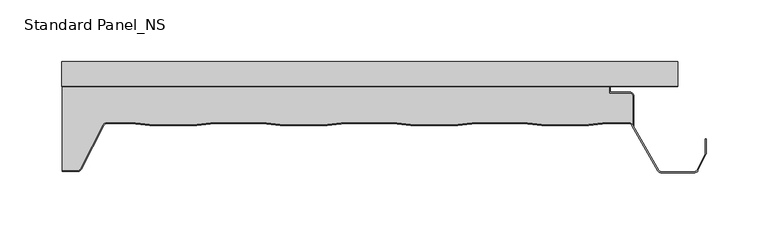
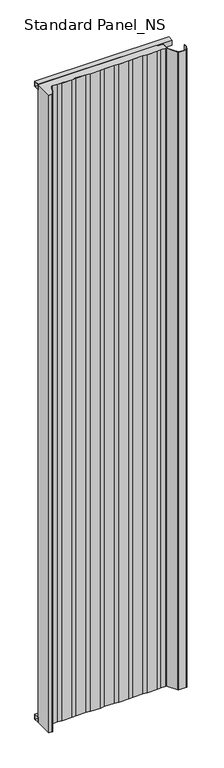
"""IFC4 building model written with IfcOpenShell, lengths in millimetres: proxy geometry, Standard Panel_NS."""

from ifc_helpers import new_model, si_unit, point, frame, frame_2d, origin, origin_with_axes, place, context, project, spatial, polyline, circle_curve, trimmed, segment, composite_curve, outline, extrude, source, transform, mapped, element, save


def standard_panel_ns_f9e1ff91(model_context):
    return source(origin(), model_context, "Body", "SweptSolid", [
        extrude(outline(polyline([(-20.0, 0.0), (-20.0, 20.0), (0.0, 20.0), (0.0, 0.0), (-20.0, 0.0)]), holes=[polyline([(-0.9, 19.1), (-19.1, 19.1), (-19.1, 0.9), (-0.9, 0.9), (-0.9, 19.1)])]), frame((-249.9999998, 0.0, 0.0), z_axis=(1.0, 0.0, 0.0), x_axis=(0.0, 1.0, 0.0)), (0.0, 0.0, 1.0), 499.9999997),
        extrude(outline(polyline([(-20.0, 2512.4689053), (0.0, 2512.4689053), (0.0, 2492.4689053), (-20.0, 2492.4689053), (-20.0, 2512.4689053)]), holes=[polyline([(-0.9, 2511.5689053), (-19.1, 2511.5689053), (-19.1, 2493.3689053), (-0.9, 2493.3689053), (-0.9, 2511.5689053)])]), frame((-249.9999998, 0.0, 0.0), z_axis=(1.0, 0.0, 0.0), x_axis=(0.0, 1.0, 0.0)), (0.0, 0.0, 1.0), 499.9999997),
        extrude(outline(composite_curve([segment(polyline([(213.3333676, -27.9776976), (213.3333676, -51.2827781)]), True, "CONTINUOUS"), segment(trimmed(circle_curve(frame_2d((210.179188, -53.4020117)), 3.8), [point((213.3333676, -51.2827781))], [point((210.2255766, -49.6022949))], True, "CARTESIAN"), True, "CONTINUOUS"), segment(polyline([(210.2255766, -49.6022949), (192.3850005, -49.6022949), (177.5232715, -51.4), (139.5003904, -51.4), (124.6528382, -49.6040097), (86.3708237, -49.6040097), (71.5232715, -51.4), (33.5003904, -51.4), (18.667015, -49.6057246), (-19.6433531, -49.6057246), (-34.4767285, -51.4), (-72.4996096, -51.4), (-87.3188082, -49.6074394), (-125.6575299, -49.6074394), (-140.4767285, -51.4), (-178.4996096, -51.4), (-193.3070694, -49.6088594), (-213.150958, -49.6088594)]), True, "CONTINUOUS"), segment(trimmed(circle_curve(frame_2d((-213.150958, -53.4088594)), 3.8), [point((-213.150958, -49.6088594))], [point((-216.5484349, -51.7067576))], True, "CARTESIAN"), True, "CONTINUOUS"), segment(polyline([(-216.5484349, -51.7067576), (-234.886672, -87.389061)]), True, "CONTINUOUS"), segment(trimmed(circle_curve(frame_2d((-236.856809, -86.41)), 2.2), [point((-234.886672, -87.389061))], [point((-236.856809, -88.61))], False, "CARTESIAN"), True, "CONTINUOUS"), segment(polyline([(-236.856809, -88.61), (-249.4999998, -88.61), (-249.4999998, -20.8776976), (194.4044995, -20.8776976), (194.4044995, -25.8776976), (211.2333676, -25.8776976)]), True, "CONTINUOUS"), segment(trimmed(circle_curve(frame_2d((211.2333676, -27.9776976)), 2.1), [point((211.2333676, -25.8776976))], [point((213.3333676, -27.9776976))], False, "CARTESIAN"), True, "CONTINUOUS")], self_intersect=False)), origin_with_axes(), (0.0, 0.0, 1.0), 2512.4689053),
        extrude(outline(composite_curve([segment(polyline([(-236.856809, -89.41), (-249.4999998, -89.41), (-249.4999998, -88.61), (-236.856809, -88.61)]), True, "CONTINUOUS"), segment(trimmed(circle_curve(frame_2d((-236.856809, -86.41)), 2.2), [point((-236.856809, -88.61))], [point((-234.886672, -87.389061))], True, "CARTESIAN"), True, "CONTINUOUS"), segment(polyline([(-234.886672, -87.389061), (-216.5484349, -51.7067576)]), True, "CONTINUOUS"), segment(trimmed(circle_curve(frame_2d((-213.150958, -53.4088594)), 3.8), [point((-216.5484349, -51.7067576))], [point((-213.150958, -49.6088594))], False, "CARTESIAN"), True, "CONTINUOUS"), segment(polyline([(-213.150958, -49.6088594), (-193.3070694, -49.6088594), (-178.4996096, -51.4), (-140.4767285, -51.4), (-125.6575299, -49.6074394), (-87.3188082, -49.6074394), (-72.4996096, -51.4), (-34.4767285, -51.4), (-19.6433531, -49.6057246), (18.667015, -49.6057246), (33.5003904, -51.4), (71.5232715, -51.4), (86.3708237, -49.6040097), (124.6528382, -49.6040097), (139.5003904, -51.4), (177.5232715, -51.4), (192.3850005, -49.6022949), (210.1327994, -49.6022949)]), True, "CONTINUOUS"), segment(trimmed(circle_curve(frame_2d((210.179188, -53.4020117)), 3.8), [point((210.1327994, -49.6022949))], [point((213.5049667, -51.5637527))], False, "CARTESIAN"), True, "CONTINUOUS"), segment(polyline([(213.5049667, -51.5637527), (234.4077106, -88.4591287)]), True, "CONTINUOUS"), segment(trimmed(circle_curve(frame_2d((236.3366683, -87.401243)), 2.2), [point((234.4077106, -88.4591287))], [point((236.3366683, -89.601243))], True, "CARTESIAN"), True, "CONTINUOUS"), segment(polyline([(236.3366683, -89.601243), (263.6856737, -89.601243)]), True, "CONTINUOUS"), segment(trimmed(circle_curve(frame_2d((263.6856737, -87.401243)), 2.2), [point((263.6856737, -89.601243))], [point((265.6539047, -88.3841299))], True, "CARTESIAN"), True, "CONTINUOUS"), segment(polyline([(265.6539047, -88.3841299), (272.1830896, -75.3094373)]), True, "CONTINUOUS"), segment(trimmed(circle_curve(frame_2d((270.2148586, -74.3265504)), 2.2), [point((272.1830896, -75.3094373))], [point((272.4148586, -74.3265504))], True, "CARTESIAN"), True, "CONTINUOUS"), segment(polyline([(272.4148586, -74.3265504), (272.4148586, -62.8571101), (273.2148586, -62.8571101), (273.2148586, -74.3265504)]), True, "CONTINUOUS"), segment(trimmed(circle_curve(frame_2d((270.2148586, -74.3265504)), 3.0), [point((273.2148586, -74.3265504))], [point((272.89881, -75.6668507))], False, "CARTESIAN"), True, "CONTINUOUS"), segment(polyline([(272.89881, -75.6668507), (266.3696251, -88.7415434)]), True, "CONTINUOUS"), segment(trimmed(circle_curve(frame_2d((263.6856737, -87.401243)), 3.0), [point((266.3696251, -88.7415434))], [point((263.6856737, -90.401243))], False, "CARTESIAN"), True, "CONTINUOUS"), segment(polyline([(263.6856737, -90.401243), (236.3366683, -90.401243)]), True, "CONTINUOUS"), segment(trimmed(circle_curve(frame_2d((236.3366683, -87.401243)), 3.0), [point((236.3366683, -90.401243))], [point((233.7091409, -88.8490344))], False, "CARTESIAN"), True, "CONTINUOUS"), segment(polyline([(233.7091409, -88.8490344), (212.8067154, -51.9542204)]), True, "CONTINUOUS"), segment(trimmed(circle_curve(frame_2d((210.179188, -53.4020117)), 3.0), [point((212.8067154, -51.9542204))], [point((210.1379709, -50.4022949))], True, "CARTESIAN"), True, "CONTINUOUS"), segment(polyline([(210.1379709, -50.4022949), (192.4332096, -50.4022949), (177.5714806, -52.2), (139.4521813, -52.2), (124.6046291, -50.4040097), (86.4190328, -50.4040097), (71.5714806, -52.2), (33.4521813, -52.2), (18.6188059, -50.4057246), (-19.595144, -50.4057246), (-34.4285194, -52.2), (-72.5478187, -52.2), (-87.3670173, -50.4074394), (-125.6093208, -50.4074394), (-140.4285194, -52.2), (-178.5478187, -52.2), (-193.3552785, -50.4088594), (-213.150958, -50.4088594)]), True, "CONTINUOUS"), segment(trimmed(circle_curve(frame_2d((-213.150958, -53.4088594)), 3.0), [point((-213.150958, -50.4088594))], [point((-215.8349094, -52.0685591))], True, "CARTESIAN"), True, "CONTINUOUS"), segment(polyline([(-215.8349094, -52.0685591), (-234.1728576, -87.7503003)]), True, "CONTINUOUS"), segment(trimmed(circle_curve(frame_2d((-236.856809, -86.41)), 3.0), [point((-234.1728576, -87.7503003))], [point((-236.856809, -89.41))], False, "CARTESIAN"), True, "CONTINUOUS")], self_intersect=False)), origin_with_axes(), (0.0, 0.0, 1.0), 2512.4689053),
        extrude(outline(composite_curve([segment(polyline([(194.4044995, -20.9), (-249.4999998, -20.9), (-249.4999998, -20.0), (195.3044995, -20.0), (195.3044995, -25.0), (211.2333676, -25.0)]), True, "CONTINUOUS"), segment(trimmed(circle_curve(frame_2d((211.2333676, -28.0)), 3.0), [point((211.2333676, -25.0))], [point((214.2333676, -28.0))], False, "CARTESIAN"), True, "CONTINUOUS"), segment(polyline([(214.2333676, -28.0), (214.2333676, -52.8494512), (213.3333676, -51.2827781), (213.3333676, -28.0)]), True, "CONTINUOUS"), segment(trimmed(circle_curve(frame_2d((211.2333676, -28.0)), 2.1), [point((213.3333676, -28.0))], [point((211.2333676, -25.9))], True, "CARTESIAN"), True, "CONTINUOUS"), segment(polyline([(211.2333676, -25.9), (194.4044995, -25.9), (194.4044995, -20.9)]), True, "CONTINUOUS")], self_intersect=False)), origin_with_axes(), (0.0, 0.0, 1.0), 2512.4689053),
    ])


if __name__ == "__main__":
    model = new_model("IFC4")
    model_context = context("Model", 3, world=origin())
    ifc_project = project(units=[si_unit("LENGTHUNIT", "METRE", prefix="MILLI")], contexts=[model_context])
    site = spatial("IfcSite", under=ifc_project)
    building = spatial("IfcBuilding", under=site)
    placement = place(None, origin())
    standard_panel_ns_shape = standard_panel_ns_f9e1ff91(model_context)
    element("IfcBuildingElementProxy", 1, Name="Standard Panel_NS", ObjectType="Standard Panel_NS", at=placement, inside=building, context=model_context, shape_type="MappedRepresentation", body=[
        mapped(standard_panel_ns_shape, transform((0.0, 0.0, 0.0), x_axis=(1.0, 0.0, 0.0), y_axis=(0.0, 1.0, 0.0), z_axis=(0.0, 0.0, 1.0))),
    ])
    save(model, "model.ifc")
